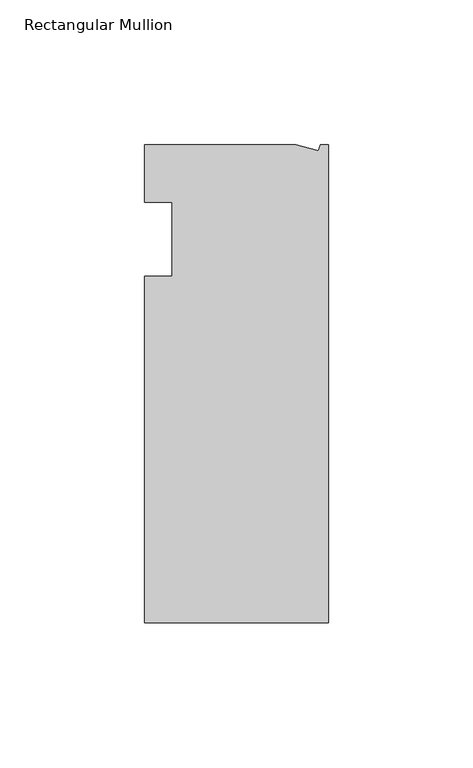
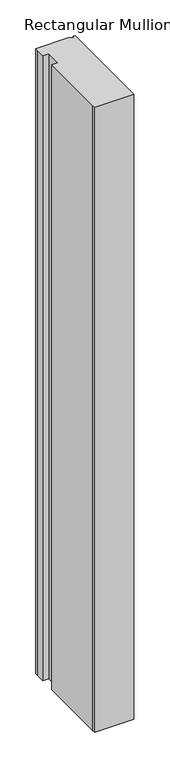
"""IFC4 building model written with IfcOpenShell, lengths in millimetres: member geometry, Rectangular Mullion."""

from ifc_helpers import new_model, si_unit, origin, place, context, project, spatial, faceted_brep, source, transform, mapped, element, save


def rectangular_mullion_54af140a(model_context):
    return source(origin(), model_context, "Body", "Brep", [
        faceted_brep([(0.0, -132.5561012, 0.0), (0.0, 32.5438988, 0.0), (-2.7630634, 32.5438988, 0.0), (-3.3223696, 30.4565397, 0.0), (-11.1125, 32.5438988, 0.0), (-63.5076469, 32.5438988, 0.0), (-63.5076469, 26.1938988, 0.0), (-63.5, 12.7, 0.0), (-53.975, 12.7, 0.0), (-53.975, -12.8488281, 0.0), (-63.5, -12.8488281, 0.0), (-63.5, -126.2061012, 0.0), (-63.5, -132.5561012, 0.0), (0.0, -132.5561012, -1067.96492), (-63.5, -132.5561012, -1067.96492), (-63.5, -126.2061012, -1067.96492), (-63.5, -12.8488281, -1067.96492), (-53.975, -12.8488281, -1067.96492), (-53.975, 12.7, -1067.96492), (-63.5, 12.7, -1067.96492), (-63.5, 26.1938988, -1067.96492), (-63.5076469, 32.5438988, -1067.96492), (-11.1125, 32.5438988, -1067.96492), (-3.3223696, 30.4565397, -1067.96492), (-2.7630634, 32.5438988, -1067.96492), (0.0, 32.5438988, -1067.96492)], [[[0, 1, 2, 3, 4, 5, 6, 7, 8, 9, 10, 11, 12]], [[13, 14, 15, 16, 17, 18, 19, 20, 21, 22, 23, 24, 25]], [[1, 0, 13, 25]], [[2, 1, 25, 24]], [[3, 2, 24, 23]], [[4, 3, 23, 22]], [[5, 4, 22, 21]], [[7, 6, 20, 19]], [[8, 7, 19, 18]], [[9, 8, 18, 17]], [[10, 9, 17, 16]], [[11, 10, 16, 15]], [[0, 12, 14, 13]], [[6, 5, 21, 20]], [[12, 11, 15, 14]]]),
    ])


if __name__ == "__main__":
    model = new_model("IFC4")
    model_context = context("Model", 3, world=origin())
    ifc_project = project(units=[si_unit("LENGTHUNIT", "METRE", prefix="MILLI")], contexts=[model_context])
    site = spatial("IfcSite", under=ifc_project)
    building = spatial("IfcBuilding", under=site)
    placement = place(None, origin())
    rectangular_mullion_shape = rectangular_mullion_54af140a(model_context)
    element("IfcMember", 1, ObjectType="Rectangular Mullion", at=placement, inside=building, context=model_context, shape_type="MappedRepresentation", body=[
        mapped(rectangular_mullion_shape, transform((0.0, 0.0, 0.0), x_axis=(1.0, 0.0, 0.0), y_axis=(0.0, 1.0, 0.0), z_axis=(0.0, 0.0, 1.0))),
    ])
    save(model, "model.ifc")
